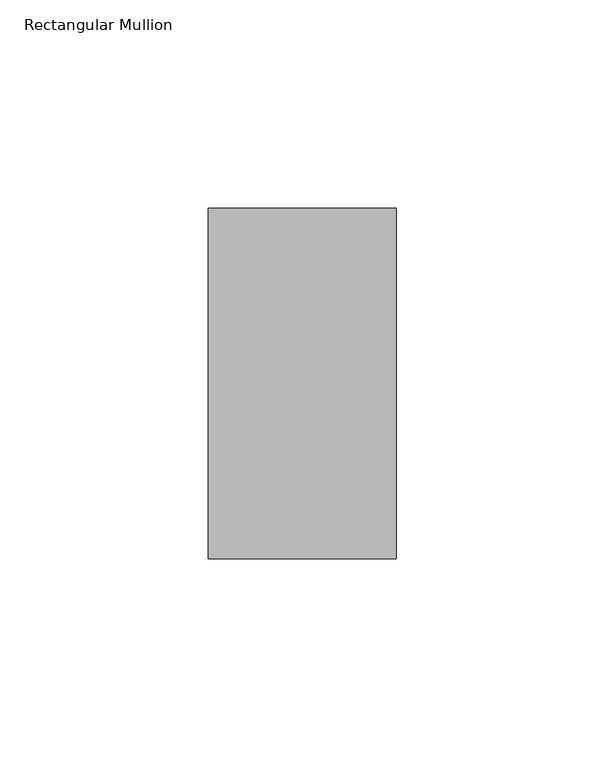
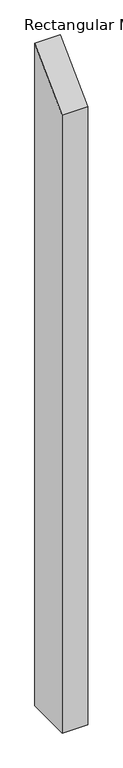
"""IFC4 building model written with IfcOpenShell, lengths in millimetres: member geometry, Rectangular Mullion."""

from ifc_helpers import new_model, si_unit, frame, origin, place, context, project, spatial, polyline, outline, extrude, source, transform, mapped, element, save


def rectangular_mullion_1bac8455(model_context):
    return source(origin(), model_context, "Body", "SweptSolid", [
        extrude(outline(polyline([(-42.0, -42.0), (42.0, 42.0), (42.0, -1200.0), (-42.0, -1200.0), (-42.0, -42.0)])), frame((-45.0, 0.0, 0.0), z_axis=(1.0, 0.0, 0.0), x_axis=(0.0, 1.0, 0.0)), (0.0, 0.0, 1.0), 45.0),
    ])


if __name__ == "__main__":
    model = new_model("IFC4")
    model_context = context("Model", 3, world=origin())
    ifc_project = project(units=[si_unit("LENGTHUNIT", "METRE", prefix="MILLI")], contexts=[model_context])
    site = spatial("IfcSite", under=ifc_project)
    building = spatial("IfcBuilding", under=site)
    placement = place(None, origin())
    rectangular_mullion_shape = rectangular_mullion_1bac8455(model_context)
    element("IfcMember", 1, ObjectType="Rectangular Mullion", at=placement, inside=building, context=model_context, shape_type="MappedRepresentation", body=[
        mapped(rectangular_mullion_shape, transform((0.0, 0.0, 0.0), x_axis=(1.0, 0.0, 0.0), y_axis=(0.0, 1.0, 0.0), z_axis=(0.0, 0.0, 1.0))),
    ])
    save(model, "model.ifc")
